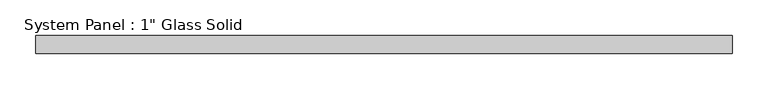
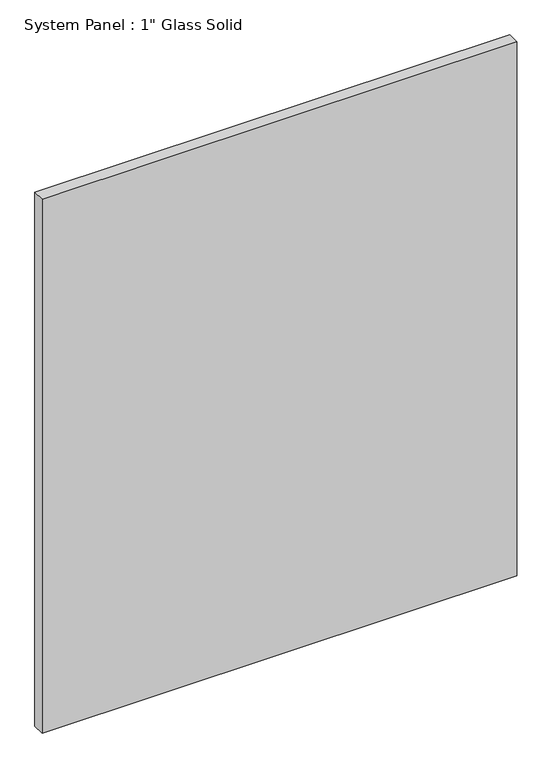
"""IFC4 building model written with IfcOpenShell, lengths in millimetres: plate geometry."""

import ifcopenshell
import ifcopenshell.guid

model = None  # the IFC model being written
_history = None  # IfcOwnerHistory: only IFC2X3 demands one
_inside = {}  # id of a spatial element -> (the spatial element, [elements in it])
_under = {}  # id of a project, library or spatial element -> (it, [spatial elements below it])
_declared = {}  # id of a project -> (the project, [libraries it declares])
_typed = {}  # id of a type object -> (the type object, [elements of that type])
_made_of = {}  # id of a material, layer set ... -> (it, [elements and type objects made of it])


def new_model(schema):
    """Start an empty IFC model of exactly this schema.

    Asked for "IFC4X3", IfcOpenShell would pick the latest addendum, in which some entities
    have other attributes; the version numbers below select the first issue.
    IFC2X3 requires an IfcOwnerHistory on every rooted entity: one is made here for all.
    """
    global model, _history
    if schema == "IFC4X3":
        model = ifcopenshell.file(schema_version=(4, 3, 0, 0))
    else:
        model = ifcopenshell.file(schema=schema)
    _inside.clear()
    _under.clear()
    _declared.clear()
    _typed.clear()
    _made_of.clear()
    _history = None
    if model.schema == "IFC2X3":
        org = make("IfcOrganization", Name="unknown")
        user = make(
            "IfcPersonAndOrganization",
            ThePerson=make("IfcPerson", FamilyName="unknown"),
            TheOrganization=org,
        )
        app = make(
            "IfcApplication",
            ApplicationDeveloper=org,
            Version="unknown",
            ApplicationFullName="unknown",
            ApplicationIdentifier="unknown",
        )
        _history = make(
            "IfcOwnerHistory",
            OwningUser=user,
            OwningApplication=app,
            ChangeAction="ADDED",
            CreationDate=0,
        )
    return model


def make(cls, **values):
    """One entity of the class cls with the attributes given. An attribute that is None is left unset."""
    return model.create_entity(
        cls, **{name: value for name, value in values.items() if value is not None}
    )


def rooted(cls, **values):
    """An entity with a GlobalId (a new one), such as an element, a storey or a relation."""
    return make(cls, GlobalId=ifcopenshell.guid.new(), OwnerHistory=_history, **values)


def si_unit(unit_type, name, prefix=None):
    """IfcSIUnit, for example si_unit("LENGTHUNIT", "METRE", prefix="MILLI")."""
    return make("IfcSIUnit", UnitType=unit_type, Prefix=prefix, Name=name)


def assignment(units):
    """IfcUnitAssignment: the units of a project."""
    return None if units is None else make("IfcUnitAssignment", Units=units)


def point(xyz):
    """IfcCartesianPoint."""
    return None if xyz is None else make("IfcCartesianPoint", Coordinates=xyz)


def direction(xyz):
    """IfcDirection."""
    return None if xyz is None else make("IfcDirection", DirectionRatios=xyz)


def frame(location, z_axis=None, x_axis=None):
    """IfcAxis2Placement3D, a coordinate frame: its origin and axes. An axis left out is left unset."""
    return make(
        "IfcAxis2Placement3D",
        Location=point(location),
        Axis=direction(z_axis),
        RefDirection=direction(x_axis),
    )


def origin():
    """The frame at (0, 0, 0) with its axes left unset."""
    return frame((0.0, 0.0, 0.0))


def origin_with_axes():
    """The frame at (0, 0, 0) with the z axis (0, 0, 1) and the x axis (1, 0, 0) written out."""
    return frame((0.0, 0.0, 0.0), z_axis=(0.0, 0.0, 1.0), x_axis=(1.0, 0.0, 0.0))


def place(relative_to, where):
    """IfcLocalPlacement: puts the frame where relative to a parent placement (None: the world)."""
    return make(
        "IfcLocalPlacement", PlacementRelTo=relative_to, RelativePlacement=where
    )


def context(
    kind, dimensions, precision=None, world=None, true_north=None, identifier=None
):
    """IfcGeometricRepresentationContext, for example the 3D "Model" context."""
    return make(
        "IfcGeometricRepresentationContext",
        ContextIdentifier=identifier,
        ContextType=kind,
        CoordinateSpaceDimension=dimensions,
        Precision=precision,
        WorldCoordinateSystem=world,
        TrueNorth=true_north,
    )


def project(units=None, contexts=None):
    """IfcProject with its units and contexts."""
    return rooted(
        "IfcProject",
        Name="project",
        RepresentationContexts=contexts,
        UnitsInContext=assignment(units),
    )


def spatial(cls, under=None, at=None, **own):
    """A site, building, storey or space (cls), placed at a placement, below another one or the project."""
    s = rooted(cls, ObjectPlacement=at, **own)
    if under is not None:
        _under.setdefault(under.id(), (under, []))[1].append(s)
    return s


def polyline(points):
    """IfcPolyline through the points."""
    return make("IfcPolyline", Points=[point(p) for p in points])


def outline(outer, holes=None, kind="AREA"):
    """IfcArbitraryClosedProfileDef: a profile drawn as a closed curve; with holes, ...WithVoids."""
    if holes is None:
        return make("IfcArbitraryClosedProfileDef", ProfileType=kind, OuterCurve=outer)
    return make(
        "IfcArbitraryProfileDefWithVoids",
        ProfileType=kind,
        OuterCurve=outer,
        InnerCurves=holes,
    )


def extrude(swept, where, along, depth):
    """IfcExtrudedAreaSolid: the profile swept, set in the frame where, extruded along a direction by depth."""
    return make(
        "IfcExtrudedAreaSolid",
        SweptArea=swept,
        Position=where,
        ExtrudedDirection=direction(along),
        Depth=depth,
    )


def shape(context_of_items, identifier, shape_type, items):
    """IfcShapeRepresentation: the items that make up one representation, for example the "Body"."""
    return make(
        "IfcShapeRepresentation",
        ContextOfItems=context_of_items,
        RepresentationIdentifier=identifier,
        RepresentationType=shape_type,
        Items=items,
    )


def source(mapping_origin, context_of_items, identifier, shape_type, items):
    """IfcRepresentationMap: a shape defined once, which mapped items show again and again."""
    return make(
        "IfcRepresentationMap",
        MappingOrigin=mapping_origin,
        MappedRepresentation=shape(context_of_items, identifier, shape_type, items),
    )


def transform(
    local_origin,
    x_axis=None,
    y_axis=None,
    z_axis=None,
    scale=None,
    scale2=None,
    scale3=None,
    uniform=True,
):
    """IfcCartesianTransformationOperator3D, or its non-uniform kind. x_axis, y_axis, z_axis: its Axis1, 2, 3."""
    if uniform:
        return make(
            "IfcCartesianTransformationOperator3D",
            Axis1=direction(x_axis),
            Axis2=direction(y_axis),
            LocalOrigin=point(local_origin),
            Scale=scale,
            Axis3=direction(z_axis),
        )
    return make(
        "IfcCartesianTransformationOperator3DnonUniform",
        Axis1=direction(x_axis),
        Axis2=direction(y_axis),
        LocalOrigin=point(local_origin),
        Scale=scale,
        Axis3=direction(z_axis),
        Scale2=scale2,
        Scale3=scale3,
    )


def mapped(mapping_source, mapping_target):
    """IfcMappedItem: shows the shape of a source again, moved by a transform."""
    return make(
        "IfcMappedItem", MappingSource=mapping_source, MappingTarget=mapping_target
    )


def made_of(thing, what):
    """Note that an element or type object is made of a material, layer set ...; save() writes the relation."""
    if what is not None:
        _made_of.setdefault(what.id(), (what, []))[1].append(thing)
    return thing


def element(
    cls,
    number,
    at=None,
    inside=None,
    cuts=None,
    type_object=None,
    material=None,
    context=None,
    identifier="Body",
    shape_type=None,
    held_by="IfcProductDefinitionShape",
    body=None,
    shapes=None,
    **own,
):
    """One element of the class cls, such as IfcWall. Its Tag is "e" and its number.

    at: its placement. inside: the storey or other place that contains it. cuts: it is an
    opening in that element (IfcRelVoidsElement). A single representation is given by context,
    identifier, shape_type and body (its items); several are given by shapes. held_by: the class
    of the entity that holds the representations. save() writes the other relations.
    """
    e = rooted(cls, Tag="e%d" % number, ObjectPlacement=at, **own)
    if body is not None:
        shapes = [shape(context, identifier, shape_type, body)]
    if shapes is not None:
        e.Representation = make(held_by, Representations=shapes)
    if inside is not None:
        _inside.setdefault(inside.id(), (inside, []))[1].append(e)
    if cuts is not None:
        rooted(
            "IfcRelVoidsElement", RelatingBuildingElement=cuts, RelatedOpeningElement=e
        )
    if type_object is not None:
        _typed.setdefault(type_object.id(), (type_object, []))[1].append(e)
    return made_of(e, material)


def aggregate(whole, parts):
    """IfcRelAggregates: a whole, such as a stair, and the parts it consists of."""
    return rooted("IfcRelAggregates", RelatingObject=whole, RelatedObjects=parts)


def save(model, path):
    """Write the relations noted so far, then the file.

    IfcRelAggregates (storeys below a building ...), IfcRelContainedInSpatialStructure (elements
    in a storey), IfcRelDefinesByType, IfcRelAssociatesMaterial and IfcRelDeclares: one each for
    every whole, place, type object, material and project.
    """
    for whole, parts in _under.values():
        aggregate(whole, parts)
    for where, things in _inside.values():
        rooted(
            "IfcRelContainedInSpatialStructure",
            RelatedElements=things,
            RelatingStructure=where,
        )
    for kind, things in _typed.values():
        rooted("IfcRelDefinesByType", RelatedObjects=things, RelatingType=kind)
    for what, things in _made_of.values():
        rooted("IfcRelAssociatesMaterial", RelatedObjects=things, RelatingMaterial=what)
    for by, libraries in _declared.values():
        rooted("IfcRelDeclares", RelatingContext=by, RelatedDefinitions=libraries)
    model.write(path)


def plate_3c716ab2(model_context):
    return source(origin(), model_context, "Body", "SweptSolid", [
        extrude(outline(polyline([(489.9239953, -12.7), (-489.9239953, -12.7), (-489.9239953, 12.7), (489.9239953, 12.7), (489.9239953, -12.7)])), origin_with_axes(), (0.0, 0.0, 1.0), 1165.2267704),
    ])


if __name__ == "__main__":
    model = new_model("IFC4")
    model_context = context("Model", 3, world=origin())
    ifc_project = project(units=[si_unit("LENGTHUNIT", "METRE", prefix="MILLI")], contexts=[model_context])
    site = spatial("IfcSite", under=ifc_project)
    building = spatial("IfcBuilding", under=site)
    placement = place(None, origin())
    plate_shape = plate_3c716ab2(model_context)
    element("IfcPlate", 1, ObjectType="System Panel : 1\" Glass Solid", at=placement, inside=building, context=model_context, shape_type="MappedRepresentation", body=[
        mapped(plate_shape, transform((0.0, 0.0, 0.0), x_axis=(1.0, 0.0, 0.0), y_axis=(0.0, 1.0, 0.0), z_axis=(0.0, 0.0, 1.0))),
    ])
    save(model, "model.ifc")
